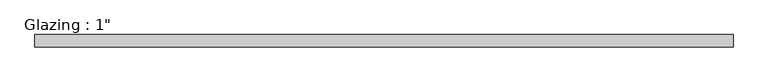
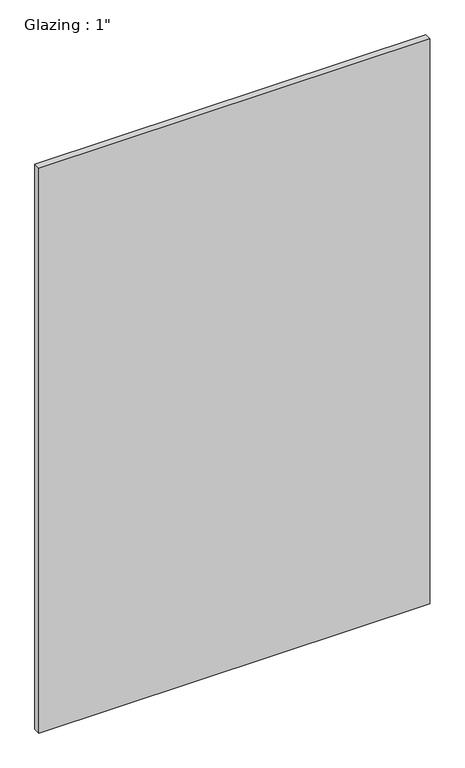
"""IFC4 building model written with IfcOpenShell, lengths in millimetres: plate geometry."""

from ifc_helpers import new_model, si_unit, origin, origin_with_axes, place, context, project, spatial, polyline, outline, extrude, source, transform, mapped, element, save


def plate_79ae2317(model_context):
    return source(origin(), model_context, "Body", "SweptSolid", [
        extrude(outline(polyline([(712.1415297, -12.7), (-712.1415297, -12.7), (-712.1415297, 12.7), (712.1415297, 12.7), (712.1415297, -12.7)])), origin_with_axes(), (0.0, 0.0, 1.0), 2174.7675354),
    ])


if __name__ == "__main__":
    model = new_model("IFC4")
    model_context = context("Model", 3, world=origin())
    ifc_project = project(units=[si_unit("LENGTHUNIT", "METRE", prefix="MILLI")], contexts=[model_context])
    site = spatial("IfcSite", under=ifc_project)
    building = spatial("IfcBuilding", under=site)
    placement = place(None, origin())
    plate_shape = plate_79ae2317(model_context)
    element("IfcPlate", 1, ObjectType="Glazing : 1\"", at=placement, inside=building, context=model_context, shape_type="MappedRepresentation", body=[
        mapped(plate_shape, transform((0.0, 0.0, 0.0), x_axis=(1.0, 0.0, 0.0), y_axis=(0.0, 1.0, 0.0), z_axis=(0.0, 0.0, 1.0))),
    ])
    save(model, "model.ifc")
